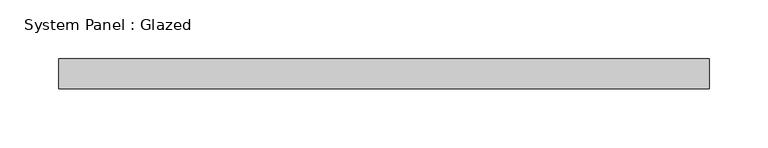
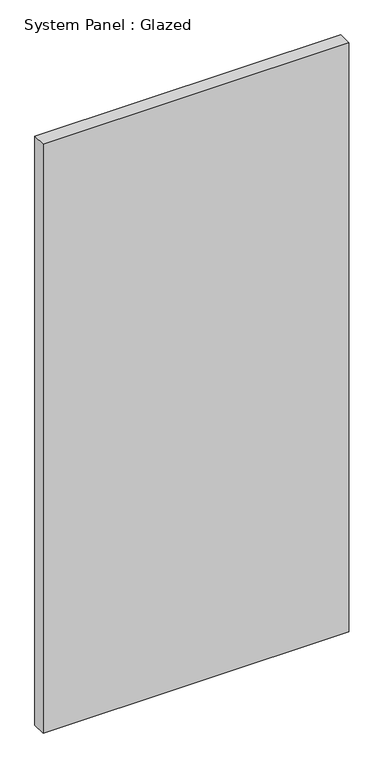
"""IFC4 building model written with IfcOpenShell, lengths in millimetres: plate geometry, System Panel : Glazed."""

from ifc_helpers import new_model, si_unit, origin, origin_with_axes, place, context, project, spatial, polyline, outline, extrude, source, transform, mapped, element, save


def system_panel_glazed_b3ddbf8e(model_context):
    return source(origin(), model_context, "Body", "SweptSolid", [
        extrude(outline(polyline([(276.225, -44.45), (-276.225, -44.45), (-276.225, -19.05), (276.225, -19.05), (276.225, -44.45)])), origin_with_axes(), (0.0, 0.0, 1.0), 1123.95),
    ])


if __name__ == "__main__":
    model = new_model("IFC4")
    model_context = context("Model", 3, world=origin())
    ifc_project = project(units=[si_unit("LENGTHUNIT", "METRE", prefix="MILLI")], contexts=[model_context])
    site = spatial("IfcSite", under=ifc_project)
    building = spatial("IfcBuilding", under=site)
    placement = place(None, origin())
    system_panel_glazed_shape = system_panel_glazed_b3ddbf8e(model_context)
    element("IfcPlate", 1, ObjectType="System Panel : Glazed", at=placement, inside=building, context=model_context, shape_type="MappedRepresentation", body=[
        mapped(system_panel_glazed_shape, transform((0.0, 0.0, 0.0), x_axis=(1.0, 0.0, 0.0), y_axis=(0.0, 1.0, 0.0), z_axis=(0.0, 0.0, 1.0))),
    ])
    save(model, "model.ifc")
